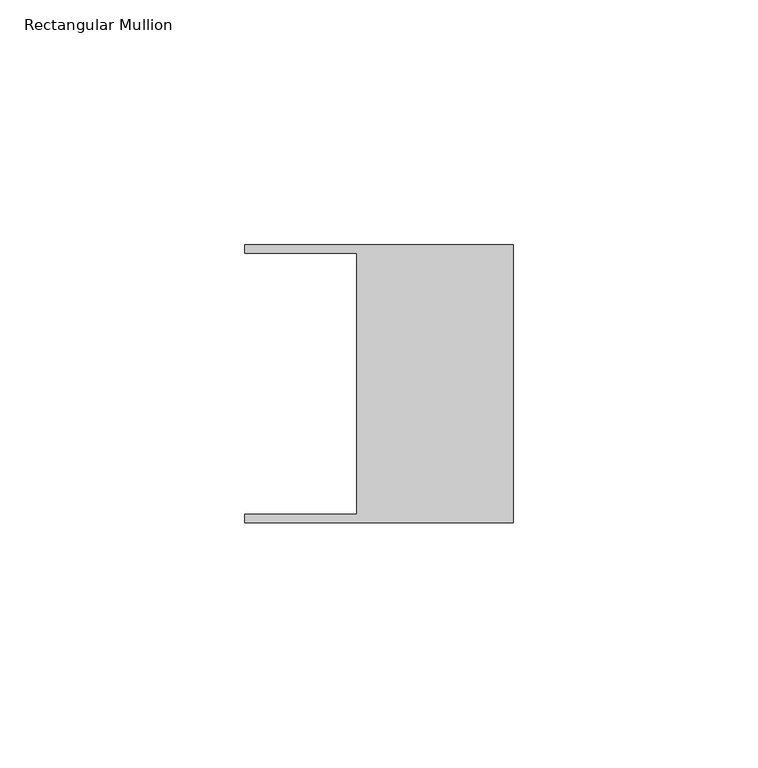
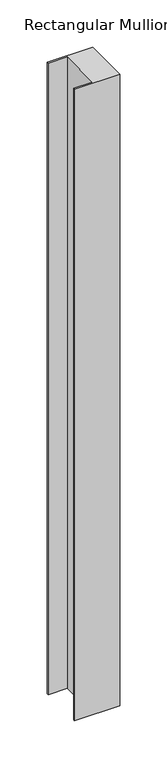
"""IFC4 building model written with IfcOpenShell, lengths in millimetres: member geometry, Rectangular Mullion."""

from ifc_helpers import new_model, si_unit, frame, origin, place, context, project, spatial, polyline, outline, extrude, source, transform, mapped, element, save


def rectangular_mullion_8770b945(model_context):
    return source(origin(), model_context, "Body", "SweptSolid", [
        extrude(outline(polyline([(-32.004, -26.67), (-32.004, 26.67), (-54.991, 26.67), (-54.991, 28.448), (0.0, 28.448), (0.0, -28.448), (-54.991, -28.448), (-54.991, -26.67), (-32.004, -26.67)])), frame((0.0, 0.0, -812.8), z_axis=(0.0, 0.0, 1.0), x_axis=(1.0, 0.0, 0.0)), (0.0, 0.0, 1.0), 812.8),
    ])


if __name__ == "__main__":
    model = new_model("IFC4")
    model_context = context("Model", 3, world=origin())
    ifc_project = project(units=[si_unit("LENGTHUNIT", "METRE", prefix="MILLI")], contexts=[model_context])
    site = spatial("IfcSite", under=ifc_project)
    building = spatial("IfcBuilding", under=site)
    placement = place(None, origin())
    rectangular_mullion_shape = rectangular_mullion_8770b945(model_context)
    element("IfcMember", 1, ObjectType="Rectangular Mullion", at=placement, inside=building, context=model_context, shape_type="MappedRepresentation", body=[
        mapped(rectangular_mullion_shape, transform((0.0, 0.0, 0.0), x_axis=(1.0, 0.0, 0.0), y_axis=(0.0, 1.0, 0.0), z_axis=(0.0, 0.0, 1.0))),
    ])
    save(model, "model.ifc")
